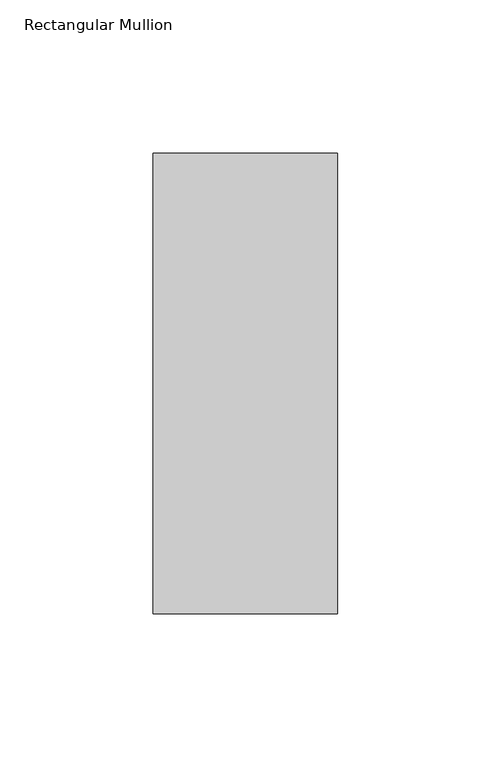
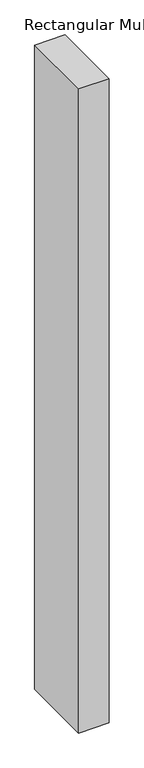
"""IFC4 building model written with IfcOpenShell, lengths in millimetres: member geometry, Rectangular Mullion."""

import ifcopenshell
import ifcopenshell.guid

model = None  # the IFC model being written
_history = None  # IfcOwnerHistory: only IFC2X3 demands one
_inside = {}  # id of a spatial element -> (the spatial element, [elements in it])
_under = {}  # id of a project, library or spatial element -> (it, [spatial elements below it])
_declared = {}  # id of a project -> (the project, [libraries it declares])
_typed = {}  # id of a type object -> (the type object, [elements of that type])
_made_of = {}  # id of a material, layer set ... -> (it, [elements and type objects made of it])


def new_model(schema):
    """Start an empty IFC model of exactly this schema.

    Asked for "IFC4X3", IfcOpenShell would pick the latest addendum, in which some entities
    have other attributes; the version numbers below select the first issue.
    IFC2X3 requires an IfcOwnerHistory on every rooted entity: one is made here for all.
    """
    global model, _history
    if schema == "IFC4X3":
        model = ifcopenshell.file(schema_version=(4, 3, 0, 0))
    else:
        model = ifcopenshell.file(schema=schema)
    _inside.clear()
    _under.clear()
    _declared.clear()
    _typed.clear()
    _made_of.clear()
    _history = None
    if model.schema == "IFC2X3":
        org = make("IfcOrganization", Name="unknown")
        user = make(
            "IfcPersonAndOrganization",
            ThePerson=make("IfcPerson", FamilyName="unknown"),
            TheOrganization=org,
        )
        app = make(
            "IfcApplication",
            ApplicationDeveloper=org,
            Version="unknown",
            ApplicationFullName="unknown",
            ApplicationIdentifier="unknown",
        )
        _history = make(
            "IfcOwnerHistory",
            OwningUser=user,
            OwningApplication=app,
            ChangeAction="ADDED",
            CreationDate=0,
        )
    return model


def make(cls, **values):
    """One entity of the class cls with the attributes given. An attribute that is None is left unset."""
    return model.create_entity(
        cls, **{name: value for name, value in values.items() if value is not None}
    )


def rooted(cls, **values):
    """An entity with a GlobalId (a new one), such as an element, a storey or a relation."""
    return make(cls, GlobalId=ifcopenshell.guid.new(), OwnerHistory=_history, **values)


def si_unit(unit_type, name, prefix=None):
    """IfcSIUnit, for example si_unit("LENGTHUNIT", "METRE", prefix="MILLI")."""
    return make("IfcSIUnit", UnitType=unit_type, Prefix=prefix, Name=name)


def assignment(units):
    """IfcUnitAssignment: the units of a project."""
    return None if units is None else make("IfcUnitAssignment", Units=units)


def point(xyz):
    """IfcCartesianPoint."""
    return None if xyz is None else make("IfcCartesianPoint", Coordinates=xyz)


def direction(xyz):
    """IfcDirection."""
    return None if xyz is None else make("IfcDirection", DirectionRatios=xyz)


def frame(location, z_axis=None, x_axis=None):
    """IfcAxis2Placement3D, a coordinate frame: its origin and axes. An axis left out is left unset."""
    return make(
        "IfcAxis2Placement3D",
        Location=point(location),
        Axis=direction(z_axis),
        RefDirection=direction(x_axis),
    )


def origin():
    """The frame at (0, 0, 0) with its axes left unset."""
    return frame((0.0, 0.0, 0.0))


def place(relative_to, where):
    """IfcLocalPlacement: puts the frame where relative to a parent placement (None: the world)."""
    return make(
        "IfcLocalPlacement", PlacementRelTo=relative_to, RelativePlacement=where
    )


def context(
    kind, dimensions, precision=None, world=None, true_north=None, identifier=None
):
    """IfcGeometricRepresentationContext, for example the 3D "Model" context."""
    return make(
        "IfcGeometricRepresentationContext",
        ContextIdentifier=identifier,
        ContextType=kind,
        CoordinateSpaceDimension=dimensions,
        Precision=precision,
        WorldCoordinateSystem=world,
        TrueNorth=true_north,
    )


def project(units=None, contexts=None):
    """IfcProject with its units and contexts."""
    return rooted(
        "IfcProject",
        Name="project",
        RepresentationContexts=contexts,
        UnitsInContext=assignment(units),
    )


def spatial(cls, under=None, at=None, **own):
    """A site, building, storey or space (cls), placed at a placement, below another one or the project."""
    s = rooted(cls, ObjectPlacement=at, **own)
    if under is not None:
        _under.setdefault(under.id(), (under, []))[1].append(s)
    return s


def polyline(points):
    """IfcPolyline through the points."""
    return make("IfcPolyline", Points=[point(p) for p in points])


def outline(outer, holes=None, kind="AREA"):
    """IfcArbitraryClosedProfileDef: a profile drawn as a closed curve; with holes, ...WithVoids."""
    if holes is None:
        return make("IfcArbitraryClosedProfileDef", ProfileType=kind, OuterCurve=outer)
    return make(
        "IfcArbitraryProfileDefWithVoids",
        ProfileType=kind,
        OuterCurve=outer,
        InnerCurves=holes,
    )


def extrude(swept, where, along, depth):
    """IfcExtrudedAreaSolid: the profile swept, set in the frame where, extruded along a direction by depth."""
    return make(
        "IfcExtrudedAreaSolid",
        SweptArea=swept,
        Position=where,
        ExtrudedDirection=direction(along),
        Depth=depth,
    )


def shape(context_of_items, identifier, shape_type, items):
    """IfcShapeRepresentation: the items that make up one representation, for example the "Body"."""
    return make(
        "IfcShapeRepresentation",
        ContextOfItems=context_of_items,
        RepresentationIdentifier=identifier,
        RepresentationType=shape_type,
        Items=items,
    )


def source(mapping_origin, context_of_items, identifier, shape_type, items):
    """IfcRepresentationMap: a shape defined once, which mapped items show again and again."""
    return make(
        "IfcRepresentationMap",
        MappingOrigin=mapping_origin,
        MappedRepresentation=shape(context_of_items, identifier, shape_type, items),
    )


def transform(
    local_origin,
    x_axis=None,
    y_axis=None,
    z_axis=None,
    scale=None,
    scale2=None,
    scale3=None,
    uniform=True,
):
    """IfcCartesianTransformationOperator3D, or its non-uniform kind. x_axis, y_axis, z_axis: its Axis1, 2, 3."""
    if uniform:
        return make(
            "IfcCartesianTransformationOperator3D",
            Axis1=direction(x_axis),
            Axis2=direction(y_axis),
            LocalOrigin=point(local_origin),
            Scale=scale,
            Axis3=direction(z_axis),
        )
    return make(
        "IfcCartesianTransformationOperator3DnonUniform",
        Axis1=direction(x_axis),
        Axis2=direction(y_axis),
        LocalOrigin=point(local_origin),
        Scale=scale,
        Axis3=direction(z_axis),
        Scale2=scale2,
        Scale3=scale3,
    )


def mapped(mapping_source, mapping_target):
    """IfcMappedItem: shows the shape of a source again, moved by a transform."""
    return make(
        "IfcMappedItem", MappingSource=mapping_source, MappingTarget=mapping_target
    )


def made_of(thing, what):
    """Note that an element or type object is made of a material, layer set ...; save() writes the relation."""
    if what is not None:
        _made_of.setdefault(what.id(), (what, []))[1].append(thing)
    return thing


def element(
    cls,
    number,
    at=None,
    inside=None,
    cuts=None,
    type_object=None,
    material=None,
    context=None,
    identifier="Body",
    shape_type=None,
    held_by="IfcProductDefinitionShape",
    body=None,
    shapes=None,
    **own,
):
    """One element of the class cls, such as IfcWall. Its Tag is "e" and its number.

    at: its placement. inside: the storey or other place that contains it. cuts: it is an
    opening in that element (IfcRelVoidsElement). A single representation is given by context,
    identifier, shape_type and body (its items); several are given by shapes. held_by: the class
    of the entity that holds the representations. save() writes the other relations.
    """
    e = rooted(cls, Tag="e%d" % number, ObjectPlacement=at, **own)
    if body is not None:
        shapes = [shape(context, identifier, shape_type, body)]
    if shapes is not None:
        e.Representation = make(held_by, Representations=shapes)
    if inside is not None:
        _inside.setdefault(inside.id(), (inside, []))[1].append(e)
    if cuts is not None:
        rooted(
            "IfcRelVoidsElement", RelatingBuildingElement=cuts, RelatedOpeningElement=e
        )
    if type_object is not None:
        _typed.setdefault(type_object.id(), (type_object, []))[1].append(e)
    return made_of(e, material)


def aggregate(whole, parts):
    """IfcRelAggregates: a whole, such as a stair, and the parts it consists of."""
    return rooted("IfcRelAggregates", RelatingObject=whole, RelatedObjects=parts)


def save(model, path):
    """Write the relations noted so far, then the file.

    IfcRelAggregates (storeys below a building ...), IfcRelContainedInSpatialStructure (elements
    in a storey), IfcRelDefinesByType, IfcRelAssociatesMaterial and IfcRelDeclares: one each for
    every whole, place, type object, material and project.
    """
    for whole, parts in _under.values():
        aggregate(whole, parts)
    for where, things in _inside.values():
        rooted(
            "IfcRelContainedInSpatialStructure",
            RelatedElements=things,
            RelatingStructure=where,
        )
    for kind, things in _typed.values():
        rooted("IfcRelDefinesByType", RelatedObjects=things, RelatingType=kind)
    for what, things in _made_of.values():
        rooted("IfcRelAssociatesMaterial", RelatedObjects=things, RelatingMaterial=what)
    for by, libraries in _declared.values():
        rooted("IfcRelDeclares", RelatingContext=by, RelatedDefinitions=libraries)
    model.write(path)


def rectangular_mullion_af313814(model_context):
    return source(origin(), model_context, "Body", "SweptSolid", [
        extrude(outline(polyline([(0.0, 75.0), (0.0, -75.0), (-60.0, -75.0), (-60.0, 75.0), (0.0, 75.0)])), frame((0.0, 0.0, -1340.0), z_axis=(0.0, 0.0, 1.0), x_axis=(1.0, 0.0, 0.0)), (0.0, 0.0, 1.0), 1340.0),
    ])


if __name__ == "__main__":
    model = new_model("IFC4")
    model_context = context("Model", 3, world=origin())
    ifc_project = project(units=[si_unit("LENGTHUNIT", "METRE", prefix="MILLI")], contexts=[model_context])
    site = spatial("IfcSite", under=ifc_project)
    building = spatial("IfcBuilding", under=site)
    placement = place(None, origin())
    rectangular_mullion_shape = rectangular_mullion_af313814(model_context)
    element("IfcMember", 1, ObjectType="Rectangular Mullion", at=placement, inside=building, context=model_context, shape_type="MappedRepresentation", body=[
        mapped(rectangular_mullion_shape, transform((0.0, 0.0, 0.0), x_axis=(1.0, 0.0, 0.0), y_axis=(0.0, 1.0, 0.0), z_axis=(0.0, 0.0, 1.0))),
    ])
    save(model, "model.ifc")
